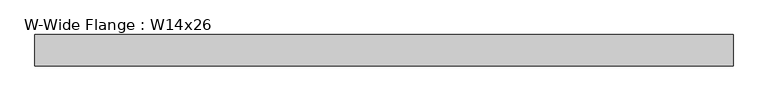
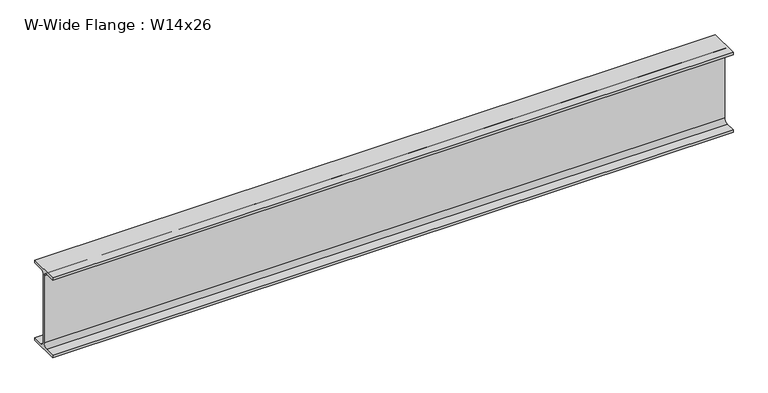
"""IFC4 building model written with IfcOpenShell, lengths in millimetres: beam geometry, W-Wide Flange : W14x26."""

from ifc_helpers import new_model, si_unit, point, frame, frame_2d, origin, place, context, project, spatial, polyline, circle_curve, trimmed, segment, composite_curve, outline, extrude, source, transform, mapped, element, save


def w_wide_flange_w14x26_2deae9cf(model_context):
    return source(origin(), model_context, "Body", "SweptSolid", [
        extrude(outline(composite_curve([segment(polyline([(63.881, -165.862), (63.881, -176.53), (-63.881, -176.53), (-63.881, -165.862), (-21.1455, -165.862)]), True, "CONTINUOUS"), segment(trimmed(circle_curve(frame_2d((-21.1455, -147.955)), 17.907), [point((-21.1455, -165.862))], [point((-3.2385, -147.955))], True, "CARTESIAN"), True, "CONTINUOUS"), segment(polyline([(-3.2385, -147.955), (-3.2385, 147.955)]), True, "CONTINUOUS"), segment(trimmed(circle_curve(frame_2d((-21.1455, 147.955)), 17.907), [point((-3.2385, 147.955))], [point((-21.1455, 165.862))], True, "CARTESIAN"), True, "CONTINUOUS"), segment(polyline([(-21.1455, 165.862), (-63.881, 165.862), (-63.881, 176.53), (63.881, 176.53), (63.881, 165.862), (21.1455, 165.862)]), True, "CONTINUOUS"), segment(trimmed(circle_curve(frame_2d((21.1455, 147.955)), 17.907), [point((21.1455, 165.862))], [point((3.2385, 147.955))], True, "CARTESIAN"), True, "CONTINUOUS"), segment(polyline([(3.2385, 147.955), (3.2385, -147.955)]), True, "CONTINUOUS"), segment(trimmed(circle_curve(frame_2d((21.1455, -147.955)), 17.907), [point((3.2385, -147.955))], [point((21.1455, -165.862))], True, "CARTESIAN"), True, "CONTINUOUS"), segment(polyline([(21.1455, -165.862), (63.881, -165.862)]), True, "CONTINUOUS")], self_intersect=False)), frame((-1423.0928238, 0.0, 0.0), z_axis=(1.0, 0.0, 0.0), x_axis=(0.0, 1.0, 0.0)), (0.0, 0.0, 1.0), 2846.1856476),
    ])


if __name__ == "__main__":
    model = new_model("IFC4")
    model_context = context("Model", 3, world=origin())
    ifc_project = project(units=[si_unit("LENGTHUNIT", "METRE", prefix="MILLI")], contexts=[model_context])
    site = spatial("IfcSite", under=ifc_project)
    building = spatial("IfcBuilding", under=site)
    placement = place(None, origin())
    w_wide_flange_w14x26_shape = w_wide_flange_w14x26_2deae9cf(model_context)
    element("IfcBeam", 1, ObjectType="W-Wide Flange : W14x26", at=placement, inside=building, context=model_context, shape_type="MappedRepresentation", body=[
        mapped(w_wide_flange_w14x26_shape, transform((0.0, 0.0, 0.0), x_axis=(1.0, 0.0, 0.0), y_axis=(0.0, 1.0, 0.0), z_axis=(0.0, 0.0, 1.0))),
    ])
    save(model, "model.ifc")
